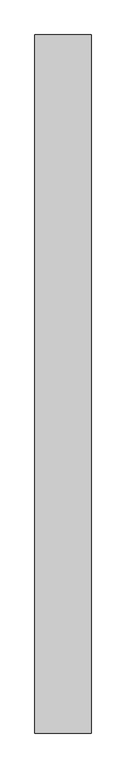
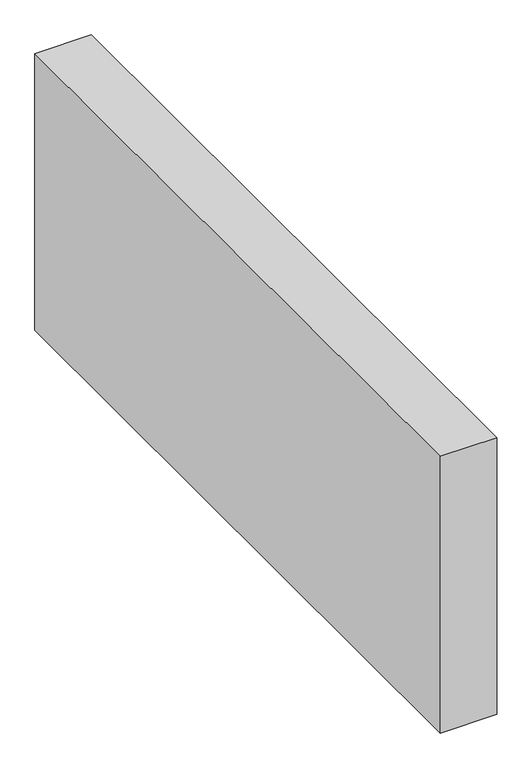
"""IFC4 building model written with IfcOpenShell, lengths in millimetres: proxy geometry."""

from ifc_helpers import new_model, si_unit, origin, origin_with_axes, place, context, project, spatial, polyline, outline, extrude, source, transform, mapped, element, save


def generic_models_69bc6436(model_context):
    return source(origin(), model_context, "Body", "SweptSolid", [
        extrude(outline(polyline([(150.0, 1865.5112794), (150.0, 0.0), (0.0, 0.0), (0.0, 1865.5112794), (150.0, 1865.5112794)])), origin_with_axes(), (0.0, 0.0, 1.0), 776.6553396),
    ])


if __name__ == "__main__":
    model = new_model("IFC4")
    model_context = context("Model", 3, world=origin())
    ifc_project = project(units=[si_unit("LENGTHUNIT", "METRE", prefix="MILLI")], contexts=[model_context])
    site = spatial("IfcSite", under=ifc_project)
    building = spatial("IfcBuilding", under=site)
    placement = place(None, origin())
    generic_models_shape = generic_models_69bc6436(model_context)
    element("IfcBuildingElementProxy", 1, Name="Generic Models", at=placement, inside=building, context=model_context, shape_type="MappedRepresentation", body=[
        mapped(generic_models_shape, transform((0.0, 0.0, 0.0), x_axis=(1.0, 0.0, 0.0), y_axis=(0.0, 1.0, 0.0), z_axis=(0.0, 0.0, 1.0))),
    ])
    save(model, "model.ifc")
